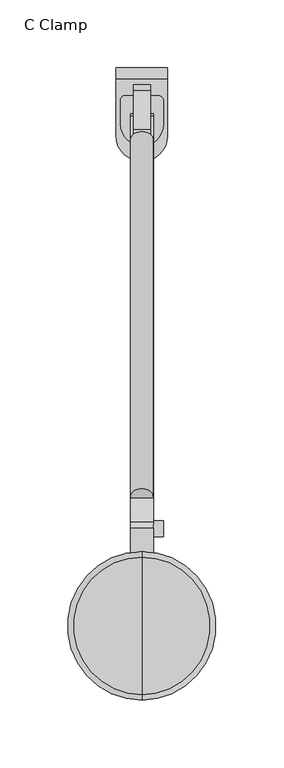
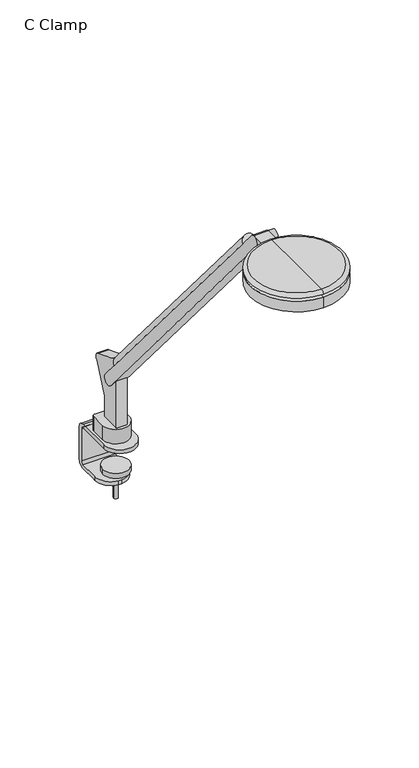
"""IFC4 building model written with IfcOpenShell, lengths in millimetres: furniture geometry, C Clamp."""

from ifc_helpers import new_model, si_unit, point, frame, frame_2d, origin, place, context, project, spatial, polyline, circle_curve, ellipse_curve, trimmed, segment, composite_curve, outline, extrude, source, transform, mapped, element, save
from ifc_brep_helpers import plane_surface, cylinder_surface, revolved_surface, advanced_brep


def c_clamp_697c5acd(model_context):
    return source(origin(), model_context, "Body", "SolidModel", [
        extrude(outline(composite_curve([segment(trimmed(circle_curve(frame_2d((12.4593755, -33.9783821)), 3.5680245), [point((12.4593755, -30.4103576))], [point((16.0274, -33.9783821))], False, "CARTESIAN"), True, "CONTINUOUS"), segment(polyline([(16.0274, -33.9783821), (16.0274, -51.2458521)]), True, "CONTINUOUS"), segment(trimmed(circle_curve(frame_2d((0.2032001, -51.2458521)), 15.8241999), [point((16.0274, -51.2458521))], [point((-15.6209999, -51.2458521))], False, "CARTESIAN"), True, "CONTINUOUS"), segment(polyline([(-15.6209999, -51.2458521), (-15.6209999, -33.2175963)]), True, "CONTINUOUS"), segment(trimmed(circle_curve(frame_2d((-12.8137611, -33.2175963)), 2.8072387), [point((-15.6209999, -33.2175963))], [point((-12.8137611, -30.4103576))], False, "CARTESIAN"), True, "CONTINUOUS"), segment(polyline([(-12.8137611, -30.4103576), (12.4593755, -30.4103576)]), True, "CONTINUOUS")], self_intersect=False)), frame((0.0, 0.0, 733.171), z_axis=(0.0, 0.0, 1.0), x_axis=(1.0, 0.0, 0.0)), (0.0, 0.0, 1.0), 17.78),
        extrude(outline(composite_curve([segment(polyline([(8.509, -161.2861314), (-8.509, -161.2861314)]), True, "CONTINUOUS"), segment(trimmed(circle_curve(frame_2d((0.0, -161.2861314)), 8.509), [point((-8.509, -161.2861314))], [point((8.509, -161.2861314))], False, "CARTESIAN"), True, "CONTINUOUS")], self_intersect=False)), frame((0.0, 59.9275977, 934.0367561), z_axis=(0.0, -0.6453157173859881, 0.7639159802586981), x_axis=(1.0, 0.0, 0.0)), (0.0, 0.0, 1.0), 407.9752226),
        extrude(outline(composite_curve([segment(polyline([(1165.3599936, -383.6426805), (1162.4056, -381.1636499), (1162.4056, -366.3659959), (1151.5508717, -366.3659959), (1151.5508717, -352.0202702), (1154.3820582, -354.4102311)]), True, "CONTINUOUS"), segment(trimmed(circle_curve(frame_2d((1158.6105852, -349.1496158)), 6.7494084), [point((1154.3820582, -354.4102311))], [point((1165.3599936, -349.1496158))], True, "CARTESIAN"), True, "CONTINUOUS"), segment(polyline([(1165.3599936, -349.1496158), (1165.3599936, -383.6426805)]), True, "CONTINUOUS")], self_intersect=False)), frame((8.509, 0.0, 0.0), z_axis=(-1.0, 0.0, 0.0), x_axis=(0.0, 0.0, 1.0)), (0.0, 0.0, 1.0), 17.018),
        extrude(outline(composite_curve([segment(trimmed(circle_curve(frame_2d((0.0, -51.7676781)), 2.5751001), [point((-2.5751001, -51.7676781))], [point((2.5751001, -51.7676781))], False, "CARTESIAN"), True, "CONTINUOUS"), segment(trimmed(circle_curve(frame_2d((0.0, -51.7676781)), 2.5751001), [point((2.5751001, -51.7676781))], [point((-2.5751001, -51.7676781))], False, "CARTESIAN"), True, "CONTINUOUS")], self_intersect=False)), frame((0.0, 0.0, 655.8153), z_axis=(0.0, 0.0, 1.0), x_axis=(1.0, 0.0, 0.0)), (0.0, 0.0, 1.0), 34.4932),
        extrude(outline(composite_curve([segment(trimmed(circle_curve(frame_2d((-0.0907579, -51.9938105)), 15.4973912), [point((-15.5881491, -51.9938105))], [point((15.4066333, -51.9938105))], False, "CARTESIAN"), True, "CONTINUOUS"), segment(trimmed(circle_curve(frame_2d((-0.0907579, -51.9938105)), 15.4973912), [point((15.4066333, -51.9938105))], [point((-15.5881491, -51.9938105))], False, "CARTESIAN"), True, "CONTINUOUS")], self_intersect=False)), frame((0.0, 0.0, 690.3085), z_axis=(0.0, 0.0, 1.0), x_axis=(1.0, 0.0, 0.0)), (0.0, 0.0, 1.0), 6.35),
        extrude(outline(composite_curve([segment(trimmed(circle_curve(frame_2d((-349.5772033, 1158.8861373)), 5.8982953), [point((-343.678908, 1158.8861373))], [point((-355.4754986, 1158.8861373))], False, "CARTESIAN"), True, "CONTINUOUS"), segment(trimmed(circle_curve(frame_2d((-349.5772033, 1158.8861373)), 5.8982953), [point((-355.4754986, 1158.8861373))], [point((-343.678908, 1158.8861373))], False, "CARTESIAN"), True, "CONTINUOUS")], self_intersect=False)), frame((8.509, 0.0, 0.0), z_axis=(1.0, 0.0, 0.0), x_axis=(0.0, 1.0, 0.0)), (0.0, 0.0, 1.0), 7.5184),
        extrude(outline(composite_curve([segment(trimmed(circle_curve(frame_2d((-57.2760289, 827.3462287)), 6.4968459), [point((-63.6335559, 826.008))], [point((-54.9477675, 833.4115568))], False, "CARTESIAN"), True, "CONTINUOUS"), segment(polyline([(-54.9477675, 833.4115568), (-26.3337634, 822.4276697)]), True, "CONTINUOUS"), segment(trimmed(circle_curve(frame_2d((-28.6602337, 816.3670075)), 6.491848), [point((-26.3337634, 822.4276697))], [point((-24.0322898, 811.8144009))], False, "CARTESIAN"), True, "CONTINUOUS"), segment(polyline([(-24.0322898, 811.8144009), (-39.5289559, 777.008319), (-39.5289559, 750.951), (-63.6335559, 750.951), (-63.6335559, 826.008)]), True, "CONTINUOUS")], self_intersect=False)), frame((-6.223, 0.0, 0.0), z_axis=(1.0, 0.0, 0.0), x_axis=(0.0, 1.0, 0.0)), (0.0, 0.0, 1.0), 12.446),
        advanced_brep(
        [(19.05, -17.732748, 728.3748908), (19.05, -14.5793302, 725.2214729), (19.05, -14.5793302, 685.3478317), (19.05, -17.4799619, 682.4472), (19.05, -39.0547461, 682.4472), (19.05, -41.6530854, 682.4472), (19.05, -41.6530854, 677.6974), (19.05, -39.0547461, 677.6974), (19.05, -17.9407775, 677.6974), (19.05, -9.8295302, 685.8086473), (19.05, -9.8295302, 725.0696764), (19.05, -17.9308539, 733.171), (19.05, -59.6571684, 733.171), (19.05, -59.6571684, 728.3748908), (-19.05, -17.9308539, 733.171), (-19.05, -9.8295302, 725.0696764), (-19.05, -9.8295302, 685.8086473), (-19.05, -17.9407775, 677.6974), (-19.05, -39.0547461, 677.6974), (-19.05, -41.6530854, 677.6974), (-19.05, -41.6530854, 682.4472), (-19.05, -39.0547461, 682.4472), (-19.05, -17.4799619, 682.4472), (-19.05, -14.5793302, 685.3478317), (-19.05, -14.5793302, 725.2214729), (-19.05, -17.732748, 728.3748908), (-19.05, -59.6571684, 728.3748908), (-19.05, -59.6571684, 733.171), (-1.672436, -60.6295302, 682.4472), (1.672436, -60.6295302, 682.4472), (-1.672436, -60.6295302, 677.6974), (1.672436, -60.6295302, 677.6974)],
        [
            (0, 1, circle_curve(frame((19.05, -17.732748, 725.2214729), z_axis=(-1.0, 0.0, 0.0), x_axis=(0.0, -1.0, 0.0)), 3.1534178)),
            (1, 2),
            (2, 3, circle_curve(frame((19.05, -17.4799619, 685.3478317), z_axis=(-1.0, 0.0, 0.0), x_axis=(0.0, -1.0, 0.0)), 2.9006317)),
            (3, 4),
            (4, 5),
            (5, 6),
            (6, 7),
            (7, 8),
            (8, 9, circle_curve(frame((19.05, -17.9407775, 685.8086473), z_axis=(1.0, 0.0, 0.0), x_axis=(0.0, -1.0, 0.0)), 8.1112473)),
            (9, 10),
            (10, 11, circle_curve(frame((19.05, -17.9308539, 725.0696764), z_axis=(1.0, 0.0, 0.0), x_axis=(0.0, -1.0, 0.0)), 8.1013236)),
            (11, 12),
            (12, 13),
            (13, 0),
            (14, 15, circle_curve(frame((-19.05, -17.9308539, 725.0696764), z_axis=(-1.0, 0.0, 0.0), x_axis=(0.0, -1.0, 0.0)), 8.1013236)),
            (15, 16),
            (16, 17, circle_curve(frame((-19.05, -17.9407775, 685.8086473), z_axis=(-1.0, 0.0, 0.0), x_axis=(0.0, -1.0, 0.0)), 8.1112473)),
            (17, 18),
            (18, 19),
            (19, 20),
            (20, 21),
            (21, 22),
            (22, 23, circle_curve(frame((-19.05, -17.4799619, 685.3478317), z_axis=(1.0, 0.0, 0.0), x_axis=(0.0, -1.0, 0.0)), 2.9006317)),
            (23, 24),
            (24, 25, circle_curve(frame((-19.05, -17.732748, 725.2214729), z_axis=(1.0, 0.0, 0.0), x_axis=(0.0, -1.0, 0.0)), 3.1534178)),
            (25, 26),
            (26, 27),
            (27, 14),
            (25, 0),
            (13, 26, circle_curve(frame((0.0, -59.6571684, 728.3748908), z_axis=(0.0, 0.0, -1.0), x_axis=(1.0, 0.0, 0.0)), 19.05)),
            (24, 1),
            (23, 2),
            (22, 3),
            (20, 28, circle_curve(frame((0.0, -41.6530854, 682.4472), z_axis=(0.0, 0.0, 1.0), x_axis=(1.0, 0.0, 0.0)), 19.05)),
            (28, 29),
            (29, 5, circle_curve(frame((0.0, -41.6530854, 682.4472), z_axis=(0.0, 0.0, 1.0), x_axis=(1.0, 0.0, 0.0)), 19.05)),
            (28, 30),
            (30, 31),
            (31, 29),
            (17, 8),
            (6, 31, circle_curve(frame((0.0, -41.6530854, 677.6974), z_axis=(0.0, 0.0, -1.0), x_axis=(1.0, 0.0, 0.0)), 19.05)),
            (30, 19, circle_curve(frame((0.0, -41.6530854, 677.6974), z_axis=(0.0, 0.0, -1.0), x_axis=(1.0, 0.0, 0.0)), 19.05)),
            (16, 9),
            (15, 10),
            (14, 11),
            (27, 12, circle_curve(frame((0.0, -59.6571684, 733.171), z_axis=(0.0, 0.0, 1.0), x_axis=(1.0, 0.0, 0.0)), 19.05)),
        ],
        [
            plane_surface(frame((19.05, -78.7143302, 728.3748908), z_axis=(1.0, 0.0, 0.0), x_axis=(0.0, 1.0, 0.0))),
            plane_surface(frame((-19.05, -78.7143302, 728.3748908), z_axis=(-1.0, 0.0, 0.0), x_axis=(0.0, -1.0, 0.0))),
            plane_surface(frame((19.05, -78.7143302, 728.3748908), z_axis=(0.0, 0.0, -1.0), x_axis=(-1.0, 0.0, 0.0))),
            revolved_surface(polyline([(-19.05, -20.8861658, 725.2214729), (19.05, -20.8861658, 725.2214729)]), (-19.05, -17.732748, 725.2214729), (-1.0, 0.0, 0.0)),
            plane_surface(frame((19.05, -14.5793302, 725.2214729), z_axis=(0.0, -1.0, 0.0), x_axis=(-1.0, 0.0, 0.0))),
            revolved_surface(polyline([(-19.05, -20.380593599999997, 685.3478317), (19.05, -20.380593599999997, 685.3478317)]), (-19.05, -17.4799619, 685.3478317), (-1.0, 0.0, 0.0)),
            plane_surface(frame((19.05, -17.4799619, 682.4472), z_axis=(0.0, 0.0, 1.0), x_axis=(-1.0, 0.0, 0.0))),
            plane_surface(frame((19.05, -60.6295302, 682.4472), z_axis=(0.0, -1.0, 0.0), x_axis=(-1.0, 0.0, 0.0))),
            plane_surface(frame((19.05, -60.6295302, 677.6974), z_axis=(0.0, 0.0, -1.0), x_axis=(-1.0, 0.0, 0.0))),
            cylinder_surface(frame((-19.05, -17.9407775, 685.8086473), z_axis=(1.0, 0.0, 0.0), x_axis=(0.0, -1.0, 0.0)), 8.1112473),
            plane_surface(frame((19.05, -9.8295302, 685.8086473), z_axis=(0.0, 1.0, 0.0), x_axis=(-1.0, 0.0, 0.0))),
            cylinder_surface(frame((-19.05, -17.9308539, 725.0696764), z_axis=(1.0, 0.0, 0.0), x_axis=(0.0, -1.0, 0.0)), 8.1013236),
            plane_surface(frame((19.05, -17.9308539, 733.171), z_axis=(0.0, 0.0, 1.0), x_axis=(-1.0, 0.0, 0.0))),
            cylinder_surface(frame((0.0, -59.6571684, 763.2396128), z_axis=(0.0, 0.0, 1.0), x_axis=(1.0, 0.0, 0.0)), 19.05),
            cylinder_surface(frame((0.0, -41.6530854, 673.1762), z_axis=(0.0, 0.0, -1.0), x_axis=(1.0, 0.0, 0.0)), 19.05),
        ],
        [
            (0, [[1, 2, 3, 4, 5, 6, 7, 8, 9, 10, 11, 12, 13, 14]]),
            (1, [[15, 16, 17, 18, 19, 20, 21, 22, 23, 24, 25, 26, 27, 28]]),
            (2, [[29, -14, 30, -26]]),
            (3, [[-1, -29, -25, 31]]),
            (4, [[-2, -31, -24, 32]]),
            (5, [[-3, -32, -23, 33]]),
            (6, [[-33, -22, -21, 34, 35, 36, -5, -4]]),
            (7, [[-35, 37, 38, 39]]),
            (8, [[40, -8, -7, 41, -38, 42, -19, -18]]),
            (9, [[-9, -40, -17, 43]]),
            (10, [[-10, -43, -16, 44]]),
            (11, [[-11, -44, -15, 45]]),
            (12, [[-45, -28, 46, -12]]),
            (13, [[-13, -46, -27, -30]]),
            (14, [[-6, -36, -39, -41]]),
            (14, [[-20, -42, -37, -34]]),
        ],
    ),
        advanced_brep(
        [(0.0, -366.3659959, 1166.2156), (0.0, -475.8399959, 1166.2156), (0.0, -471.7839412, 1170.0256), (0.0, -370.4220506, 1170.0256), (0.0, -384.354515, 1166.2156), (0.0, -457.8514768, 1166.2156), (0.0, -381.6867242, 1162.4056), (0.0, -460.5192676, 1162.4056), (0.0, -366.3659959, 1162.4056), (0.0, -475.8399959, 1162.4056), (0.0, -366.3659959, 1149.0706), (0.0, -475.8399959, 1149.0706), (0.0, -421.1029959, 1149.0706), (0.0, -421.1029959, 1170.0256)],
        [
            (0, 1, circle_curve(frame((0.0, -421.1029959, 1166.2156), z_axis=(0.0, 0.0, 1.0), x_axis=(0.0, -1.0, 0.0)), 54.737)),
            (1, 2, circle_curve(frame((0.0, -471.7839412, 1165.9616), z_axis=(-1.0, 0.0, 0.0), x_axis=(0.0, -1.0, 0.0)), 4.064)),
            (2, 3, circle_curve(frame((0.0, -421.1029959, 1170.0256), z_axis=(0.0, 0.0, -1.0), x_axis=(0.0, -1.0, 0.0)), 50.6809453)),
            (3, 0, circle_curve(frame((0.0, -370.4220506, 1165.9616), z_axis=(-1.0, 0.0, 0.0), x_axis=(0.0, 1.0, 0.0)), 4.064)),
            (1, 0, circle_curve(frame((0.0, -421.1029959, 1166.2156), z_axis=(0.0, 0.0, 1.0), x_axis=(0.0, -1.0, 0.0)), 54.737)),
            (3, 2, circle_curve(frame((0.0, -421.1029959, 1170.0256), z_axis=(0.0, 0.0, -1.0), x_axis=(0.0, -1.0, 0.0)), 50.6809453)),
            (4, 5, circle_curve(frame((0.0, -421.1029959, 1166.2156), z_axis=(0.0, 0.0, 1.0), x_axis=(0.0, -1.0, 0.0)), 36.7484809)),
            (5, 1),
            (0, 4),
            (5, 4, circle_curve(frame((0.0, -421.1029959, 1166.2156), z_axis=(0.0, 0.0, 1.0), x_axis=(0.0, -1.0, 0.0)), 36.7484809)),
            (6, 7, circle_curve(frame((0.0, -421.1029959, 1162.4056), z_axis=(0.0, 0.0, 1.0), x_axis=(0.0, -1.0, 0.0)), 39.4162717)),
            (7, 5),
            (4, 6),
            (7, 6, circle_curve(frame((0.0, -421.1029959, 1162.4056), z_axis=(0.0, 0.0, 1.0), x_axis=(0.0, -1.0, 0.0)), 39.4162717)),
            (8, 9, circle_curve(frame((0.0, -421.1029959, 1162.4056), z_axis=(0.0, 0.0, 1.0), x_axis=(0.0, -1.0, 0.0)), 54.737)),
            (9, 7),
            (6, 8),
            (9, 8, circle_curve(frame((0.0, -421.1029959, 1162.4056), z_axis=(0.0, 0.0, 1.0), x_axis=(0.0, -1.0, 0.0)), 54.737)),
            (10, 11, circle_curve(frame((0.0, -421.1029959, 1149.0706), z_axis=(0.0, 0.0, 1.0), x_axis=(0.0, -1.0, 0.0)), 54.737)),
            (11, 9),
            (8, 10),
            (11, 10, circle_curve(frame((0.0, -421.1029959, 1149.0706), z_axis=(0.0, 0.0, 1.0), x_axis=(0.0, -1.0, 0.0)), 54.737)),
            (12, 11),
            (10, 12),
            (2, 13),
            (13, 3),
        ],
        [
            revolved_surface(trimmed(ellipse_curve(frame((0.0, -471.7839412, 1165.9616), z_axis=(1.0, 0.0, 0.0), x_axis=(0.0, -1.0, 0.0)), 4.064, 4.064), [point((0.0, -471.7839412, 1170.0256))], [point((0.0, -475.8399959, 1166.2156))], True, "CARTESIAN"), (0.0, -421.1029959, 1170.0256), (0.0, 0.0, -1.0)),
            plane_surface(frame((0.0, -421.1029959, 1166.2156), z_axis=(0.0, 0.0, -1.0), x_axis=(0.0, -1.0, 0.0))),
            revolved_surface(polyline([(0.0, -457.8514768, 1166.2156), (0.0, -460.5192676, 1162.4056)]), (0.0, -421.1029959, 1170.0256), (0.0, 0.0, -1.0)),
            plane_surface(frame((0.0, -421.1029959, 1162.4056), z_axis=(0.0, 0.0, 1.0), x_axis=(0.0, -1.0, 0.0))),
            cylinder_surface(frame((0.0, -421.1029959, 1170.0256), z_axis=(0.0, 0.0, -1.0), x_axis=(0.0, -1.0, 0.0)), 54.737),
            plane_surface(frame((0.0, -421.1029959, 1149.0706), z_axis=(0.0, 0.0, -1.0), x_axis=(0.0, -1.0, 0.0))),
            plane_surface(frame((0.0, -421.1029959, 1170.0256), z_axis=(0.0, 0.0, 1.0), x_axis=(0.0, -1.0, 0.0))),
        ],
        [
            (0, [[1, 2, 3, 4]]),
            (0, [[5, -4, 6, -2]]),
            (1, [[7, 8, -1, 9]]),
            (1, [[10, -9, -5, -8]]),
            (2, [[11, 12, -7, 13]]),
            (2, [[14, -13, -10, -12]]),
            (3, [[15, 16, -11, 17]]),
            (3, [[18, -17, -14, -16]]),
            (4, [[19, 20, -15, 21]]),
            (4, [[22, -21, -18, -20]]),
            (5, [[23, -19, 24]]),
            (5, [[-24, -22, -23]]),
            (6, [[-3, 25, 26]]),
            (6, [[-6, -26, -25]]),
        ],
    ),
        extrude(outline(composite_curve([segment(trimmed(circle_curve(frame_2d((-50.3508694, 804.4209036)), 6.6004988), [point((-45.3086429, 808.6803092))], [point((-55.394567, 800.16324))], False, "CARTESIAN"), True, "CONTINUOUS"), segment(polyline([(-55.394567, 800.16324), (-354.4102311, 1154.3820582)]), True, "CONTINUOUS"), segment(trimmed(circle_curve(frame_2d((-349.4277131, 1158.5880769)), 6.5204355), [point((-354.4102311, 1154.3820582))], [point((-344.4466482, 1162.7958164))], False, "CARTESIAN"), True, "CONTINUOUS"), segment(polyline([(-344.4466482, 1162.7958164), (-45.3086429, 808.6803092)]), True, "CONTINUOUS")], self_intersect=False)), frame((-8.509, 0.0, 0.0), z_axis=(1.0, 0.0, 0.0), x_axis=(0.0, 1.0, 0.0)), (0.0, 0.0, 1.0), 17.018),
    ])


if __name__ == "__main__":
    model = new_model("IFC4")
    model_context = context("Model", 3, world=origin())
    ifc_project = project(units=[si_unit("LENGTHUNIT", "METRE", prefix="MILLI")], contexts=[model_context])
    site = spatial("IfcSite", under=ifc_project)
    building = spatial("IfcBuilding", under=site)
    placement = place(None, origin())
    c_clamp_shape = c_clamp_697c5acd(model_context)
    element("IfcFurniture", 1, ObjectType="C Clamp", at=placement, inside=building, context=model_context, shape_type="MappedRepresentation", body=[
        mapped(c_clamp_shape, transform((0.0, 0.0, 0.0), x_axis=(1.0, 0.0, 0.0), y_axis=(0.0, 1.0, 0.0), z_axis=(0.0, 0.0, 1.0))),
    ])
    save(model, "model.ifc")
